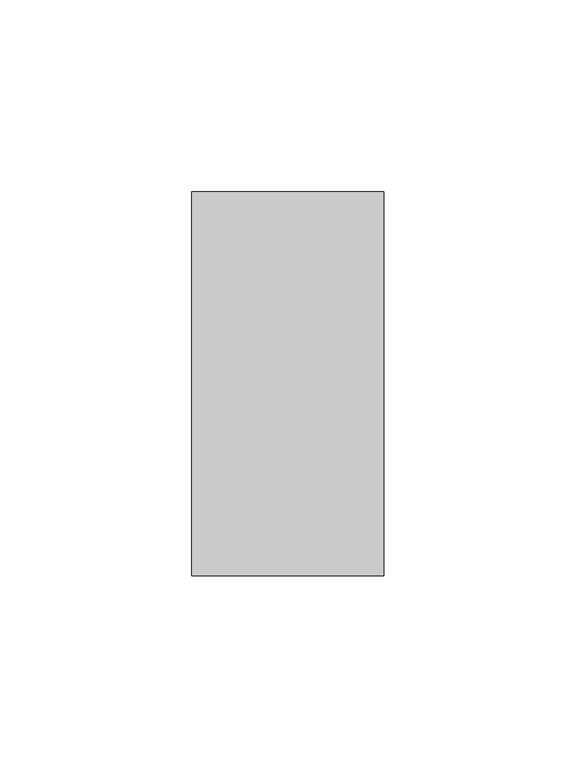
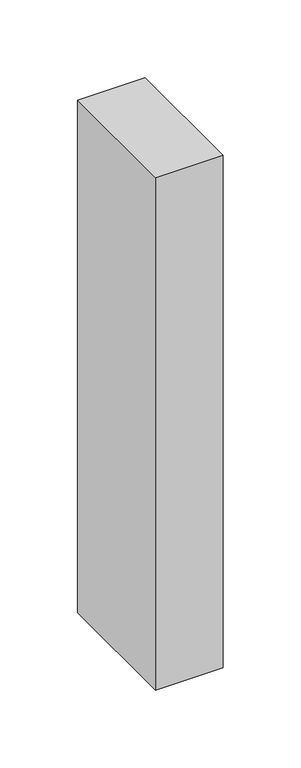
"""IFC4 building model written with IfcOpenShell, lengths in millimetres: member geometry."""

from ifc_helpers import new_model, si_unit, frame, origin, place, context, project, spatial, polyline, outline, extrude, source, transform, mapped, element, save


def member_59dc85ce(model_context):
    return source(origin(), model_context, "Body", "SweptSolid", [
        extrude(outline(polyline([(0.0, 50.0), (0.0, -50.0), (-50.0, -50.0), (-50.0, 50.0), (0.0, 50.0)])), frame((0.0, 0.0, -401.7066473), z_axis=(0.0, 0.0, 1.0), x_axis=(1.0, 0.0, 0.0)), (0.0, 0.0, 1.0), 401.7066473),
    ])


if __name__ == "__main__":
    model = new_model("IFC4")
    model_context = context("Model", 3, world=origin())
    ifc_project = project(units=[si_unit("LENGTHUNIT", "METRE", prefix="MILLI")], contexts=[model_context])
    site = spatial("IfcSite", under=ifc_project)
    building = spatial("IfcBuilding", under=site)
    placement = place(None, origin())
    member_shape = member_59dc85ce(model_context)
    element("IfcMember", 1, at=placement, inside=building, context=model_context, shape_type="MappedRepresentation", body=[
        mapped(member_shape, transform((0.0, 0.0, 0.0), x_axis=(1.0, 0.0, 0.0), y_axis=(0.0, 1.0, 0.0), z_axis=(0.0, 0.0, 1.0))),
    ])
    save(model, "model.ifc")
